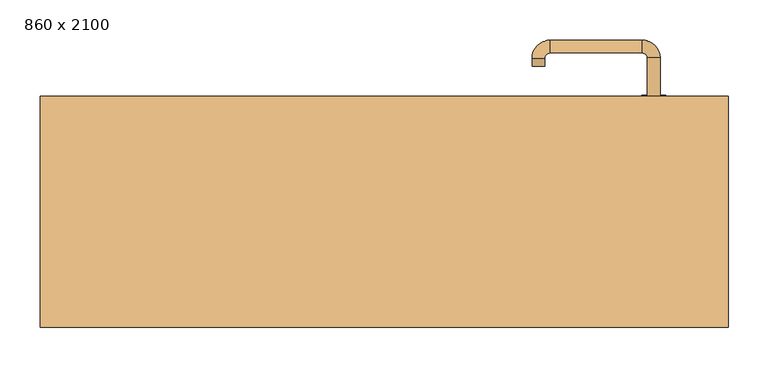
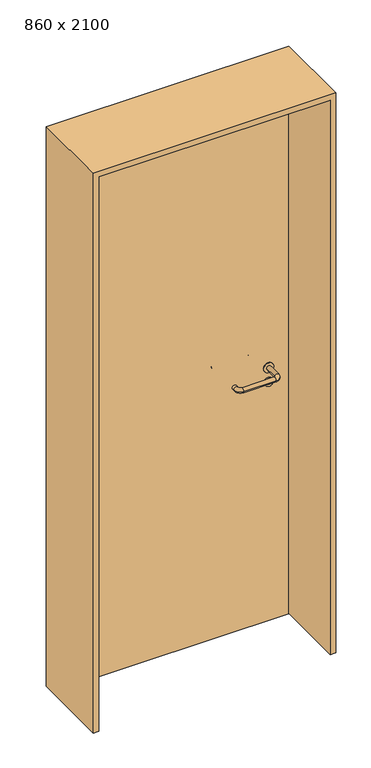
"""IFC4 building model written with IfcOpenShell, lengths in millimetres: door geometry, 860 x 2100."""

from ifc_helpers import new_model, si_unit, point, frame, frame_2d, origin, origin_with_axes, place, context, project, spatial, polyline, circle_curve, ellipse_curve, trimmed, segment, composite_curve, outline, extrude, source, transform, mapped, element, save
from ifc_brep_helpers import plane_surface, cylinder_surface, revolved_surface, advanced_brep


def door_860_x_2100_21cdc62c(model_context):
    return source(origin(), model_context, "Body", "SolidModel", [
        extrude(outline(composite_curve([segment(trimmed(circle_curve(frame_2d((897.3605726, 337.0)), 15.0), [point((897.3605726, 352.0))], [point((897.3605726, 322.0))], False, "CARTESIAN"), True, "CONTINUOUS"), segment(trimmed(circle_curve(frame_2d((897.3605726, 337.0)), 15.0), [point((897.3605726, 322.0))], [point((897.3605726, 352.0))], False, "CARTESIAN"), True, "CONTINUOUS")], self_intersect=False), holes=[composite_curve([segment(trimmed(circle_curve(frame_2d((892.5833211, 336.9398032)), 2.0), [point((892.5833211, 338.9398032))], [point((892.5833211, 334.9398032))], True, "CARTESIAN"), True, "CONTINUOUS"), segment(polyline([(892.5833211, 334.9398032), (902.5833211, 334.9398032)]), True, "CONTINUOUS"), segment(trimmed(circle_curve(frame_2d((902.5833211, 336.9398032)), 2.0), [point((902.5833211, 334.9398032))], [point((902.5833211, 338.9398032))], True, "CARTESIAN"), True, "CONTINUOUS"), segment(polyline([(902.5833211, 338.9398032), (892.5833211, 338.9398032)]), True, "CONTINUOUS")], self_intersect=False)]), frame((0.0, 103.65, 0.0), z_axis=(0.0, 1.0, 0.0), x_axis=(0.0, 0.0, 1.0)), (0.0, 0.0, 1.0), 6.35),
        extrude(outline(composite_curve([segment(trimmed(circle_curve(frame_2d((950.0, 337.0)), 17.526), [point((950.0, 354.526))], [point((950.0, 319.474))], False, "CARTESIAN"), True, "CONTINUOUS"), segment(trimmed(circle_curve(frame_2d((950.0, 337.0)), 17.526), [point((950.0, 319.474))], [point((950.0, 354.526))], False, "CARTESIAN"), True, "CONTINUOUS")], self_intersect=False)), frame((0.0, 106.825, 0.0), z_axis=(0.0, 1.0, 0.0), x_axis=(0.0, 0.0, 1.0)), (0.0, 0.0, 1.0), 3.175),
        advanced_brep(
        [(345.0, 110.0, 950.0), (329.0, 110.0, 950.0), (329.0, 57.0, 950.0), (345.0, 57.0, 950.0), (322.8578644, 50.8578644, 950.0), (322.8578644, 34.8578644, 950.0), (207.8578644, 50.8578644, 950.0), (207.8578644, 34.8578644, 950.0), (201.008622, 57.7071068, 950.0), (185.008622, 57.7071068, 950.0), (185.008622, 67.7071068, 950.0), (201.008622, 67.7071068, 950.0)],
        [
            (0, 1, circle_curve(frame((337.0, 110.0, 950.0), z_axis=(0.0, 1.0, 0.0), x_axis=(-1.0, 0.0, 0.0)), 8.0)),
            (1, 0, circle_curve(frame((337.0, 110.0, 950.0), z_axis=(0.0, 1.0, 0.0), x_axis=(-1.0, 0.0, 0.0)), 8.0)),
            (1, 2),
            (2, 3, circle_curve(frame((337.0, 57.0, 950.0), z_axis=(0.0, 1.0, 0.0), x_axis=(-1.0, 0.0, 0.0)), 8.0)),
            (3, 0),
            (3, 2, circle_curve(frame((337.0, 57.0, 950.0), z_axis=(0.0, 1.0, 0.0), x_axis=(-1.0, 0.0, 0.0)), 8.0)),
            (4, 5, circle_curve(frame((322.8578644, 42.8578644, 950.0), z_axis=(1.0, 0.0, 0.0), x_axis=(0.0, 1.0, 0.0)), 8.0)),
            (5, 3, circle_curve(frame((322.8578644, 57.0, 950.0), z_axis=(0.0, 0.0, 1.0), x_axis=(1.0, 0.0, 0.0)), 22.1421356)),
            (2, 4, circle_curve(frame((322.8578644, 57.0, 950.0), z_axis=(0.0, 0.0, -1.0), x_axis=(1.0, 0.0, 0.0)), 6.1421356)),
            (5, 4, circle_curve(frame((322.8578644, 42.8578644, 950.0), z_axis=(1.0, 0.0, 0.0), x_axis=(0.0, 1.0, 0.0)), 8.0)),
            (4, 6),
            (6, 7, circle_curve(frame((207.8578644, 42.8578644, 950.0), z_axis=(1.0, 0.0, 0.0), x_axis=(0.0, 1.0, 0.0)), 8.0)),
            (7, 5),
            (7, 6, circle_curve(frame((207.8578644, 42.8578644, 950.0), z_axis=(1.0, 0.0, 0.0), x_axis=(0.0, 1.0, 0.0)), 8.0)),
            (8, 9, circle_curve(frame((193.008622, 57.7071068, 950.0), z_axis=(0.0, -1.0, 0.0), x_axis=(1.0, 0.0, 0.0)), 8.0)),
            (9, 7, circle_curve(frame((207.8578644, 57.7071068, 950.0), z_axis=(0.0, 0.0, 1.0), x_axis=(0.0, -1.0, 0.0)), 22.8492424)),
            (6, 8, circle_curve(frame((207.8578644, 57.7071068, 950.0), z_axis=(0.0, 0.0, -1.0), x_axis=(0.0, -1.0, 0.0)), 6.8492424)),
            (9, 8, circle_curve(frame((193.008622, 57.7071068, 950.0), z_axis=(0.0, -1.0, 0.0), x_axis=(1.0, 0.0, 0.0)), 8.0)),
            (10, 11, circle_curve(frame((193.008622, 67.7071068, 950.0), z_axis=(0.0, 1.0, 0.0), x_axis=(1.0, 0.0, 0.0)), 8.0)),
            (11, 10, circle_curve(frame((193.008622, 67.7071068, 950.0), z_axis=(0.0, 1.0, 0.0), x_axis=(1.0, 0.0, 0.0)), 8.0)),
            (8, 11),
            (10, 9),
        ],
        [
            plane_surface(frame((337.0, 110.0, 0.0), z_axis=(0.0, 1.0, 0.0), x_axis=(0.0, 0.0, 1.0))),
            cylinder_surface(frame((337.0, 110.0, 950.0), z_axis=(0.0, 1.0, 0.0), x_axis=(-1.0, 0.0, 0.0)), 8.0),
            revolved_surface(trimmed(ellipse_curve(frame((337.0, 57.0, 950.0), z_axis=(0.0, -1.0, 0.0), x_axis=(-1.0, 0.0, 0.0)), 8.0, 8.0), [point((345.0, 57.0, 950.0))], [point((329.0, 57.0, 950.0))], True, "CARTESIAN"), (322.8578644, 57.0, 0.0), (0.0, 0.0, 1.0)),
            revolved_surface(trimmed(ellipse_curve(frame((337.0, 57.0, 950.0), z_axis=(0.0, -1.0, 0.0), x_axis=(-1.0, 0.0, 0.0)), 8.0, 8.0), [point((329.0, 57.0, 950.0))], [point((345.0, 57.0, 950.0))], True, "CARTESIAN"), (322.8578644, 57.0, 0.0), (0.0, 0.0, 1.0)),
            cylinder_surface(frame((322.8578644, 42.8578644, 950.0), z_axis=(1.0, 0.0, 0.0), x_axis=(0.0, 1.0, 0.0)), 8.0),
            revolved_surface(trimmed(ellipse_curve(frame((207.8578644, 42.8578644, 950.0), z_axis=(-1.0, 0.0, 0.0), x_axis=(0.0, 1.0, 0.0)), 8.0, 8.0), [point((207.8578644, 34.8578644, 950.0))], [point((207.8578644, 50.8578644, 950.0))], True, "CARTESIAN"), (207.8578644, 57.7071068, 0.0), (0.0, 0.0, 1.0)),
            revolved_surface(trimmed(ellipse_curve(frame((207.8578644, 42.8578644, 950.0), z_axis=(-1.0, 0.0, 0.0), x_axis=(0.0, 1.0, 0.0)), 8.0, 8.0), [point((207.8578644, 50.8578644, 950.0))], [point((207.8578644, 34.8578644, 950.0))], True, "CARTESIAN"), (207.8578644, 57.7071068, 0.0), (0.0, 0.0, 1.0)),
            plane_surface(frame((193.008622, 67.7071068, 0.0), z_axis=(0.0, 1.0, 0.0), x_axis=(0.0, 0.0, 1.0))),
            cylinder_surface(frame((193.008622, 57.7071068, 950.0), z_axis=(0.0, -1.0, 0.0), x_axis=(1.0, 0.0, 0.0)), 8.0),
        ],
        [
            (0, [[1, 2]]),
            (1, [[3, 4, 5, -2]]),
            (1, [[-5, 6, -3, -1]]),
            (2, [[7, 8, -4, 9]]),
            (3, [[10, -9, -6, -8]]),
            (4, [[11, 12, 13, -7]]),
            (4, [[-13, 14, -11, -10]]),
            (5, [[15, 16, -12, 17]]),
            (6, [[18, -17, -14, -16]]),
            (7, [[19, 20]]),
            (8, [[21, -19, 22, -15]]),
            (8, [[-22, -20, -21, -18]]),
        ],
    ),
        extrude(outline(composite_curve([segment(trimmed(circle_curve(frame_2d((0.0, -15.0)), 15.0), [point((0.0, -30.0))], [point((0.0, 0.0))], False, "CARTESIAN"), True, "CONTINUOUS"), segment(trimmed(circle_curve(frame_2d((0.0, -15.0)), 15.0), [point((0.0, 0.0))], [point((0.0, -30.0))], False, "CARTESIAN"), True, "CONTINUOUS")], self_intersect=False), holes=[composite_curve([segment(trimmed(circle_curve(frame_2d((4.7772515, -14.9398032)), 2.0), [point((4.7772515, -16.9398032))], [point((4.7772515, -12.9398032))], True, "CARTESIAN"), True, "CONTINUOUS"), segment(polyline([(4.7772515, -12.9398032), (-5.2227485, -12.9398032)]), True, "CONTINUOUS"), segment(trimmed(circle_curve(frame_2d((-5.2227485, -14.9398032)), 2.0), [point((-5.2227485, -12.9398032))], [point((-5.2227485, -16.9398032))], True, "CARTESIAN"), True, "CONTINUOUS"), segment(polyline([(-5.2227485, -16.9398032), (4.7772515, -16.9398032)]), True, "CONTINUOUS")], self_intersect=False)]), frame((322.0, 140.0, 897.3605726), z_axis=(1.8870575173328306e-12, 1.0, 0.0), x_axis=(0.0, 0.0, -1.0)), (0.0, 0.0, 1.0), 6.35),
        extrude(outline(composite_curve([segment(trimmed(circle_curve(frame_2d((0.0, -17.526)), 17.526), [point((0.0, -35.052))], [point((0.0, 0.0))], False, "CARTESIAN"), True, "CONTINUOUS"), segment(trimmed(circle_curve(frame_2d((0.0, -17.526)), 17.526), [point((0.0, 0.0))], [point((0.0, -35.052))], False, "CARTESIAN"), True, "CONTINUOUS")], self_intersect=False)), frame((319.474, 140.0, 950.0), z_axis=(1.8870575173328306e-12, 1.0, 0.0), x_axis=(0.0, 0.0, -1.0)), (0.0, 0.0, 1.0), 3.175),
        advanced_brep(
        [(345.0, 140.0, 950.0), (329.0, 140.0, 950.0), (345.0, 193.0, 950.0), (329.0, 193.0, 950.0), (322.8578644, 199.1421356, 950.0), (322.8578644, 215.1421356, 950.0), (207.8578644, 215.1421356, 950.0), (207.8578644, 199.1421356, 950.0), (201.008622, 192.2928932, 950.0), (185.008622, 192.2928932, 950.0), (185.008622, 182.2928932, 950.0), (201.008622, 182.2928932, 950.0)],
        [
            (0, 1, circle_curve(frame((337.0, 140.0, 950.0), z_axis=(-1.888672253512351e-12, -1.0, 0.0), x_axis=(-1.0, 1.888672253512351e-12, 0.0)), 8.0)),
            (1, 0, circle_curve(frame((337.0, 140.0, 950.0), z_axis=(-1.888672253512351e-12, -1.0, 0.0), x_axis=(-1.0, 1.888672253512351e-12, 0.0)), 8.0)),
            (0, 2),
            (2, 3, circle_curve(frame((337.0, 193.0, 950.0), z_axis=(-1.888672253512351e-12, -1.0, 0.0), x_axis=(-1.0, 1.888672253512351e-12, 0.0)), 8.0)),
            (3, 1),
            (3, 2, circle_curve(frame((337.0, 193.0, 950.0), z_axis=(-1.888672253512351e-12, -1.0, 0.0), x_axis=(-1.0, 1.888672253512351e-12, 0.0)), 8.0)),
            (4, 3, circle_curve(frame((322.8578644, 193.0, 950.0), z_axis=(0.0, 0.0, -1.0), x_axis=(1.0, -1.880717803715015e-12, 0.0)), 6.1421356)),
            (2, 5, circle_curve(frame((322.8578644, 193.0, 950.0), z_axis=(0.0, 0.0, 1.0), x_axis=(1.0, -1.880717803715015e-12, 0.0)), 22.1421356)),
            (5, 4, circle_curve(frame((322.8578644, 207.1421356, 950.0), z_axis=(1.0, -1.913702061528922e-12, 0.0), x_axis=(-1.913702061528922e-12, -1.0, 0.0)), 8.0)),
            (4, 5, circle_curve(frame((322.8578644, 207.1421356, 950.0), z_axis=(1.0, -1.913702061528922e-12, 0.0), x_axis=(-1.913702061528922e-12, -1.0, 0.0)), 8.0)),
            (5, 6),
            (6, 7, circle_curve(frame((207.8578644, 207.1421356, 950.0), z_axis=(1.0, -1.913719828541269e-12, 0.0), x_axis=(-1.913719828541269e-12, -1.0, 0.0)), 8.0)),
            (7, 4),
            (7, 6, circle_curve(frame((207.8578644, 207.1421356, 950.0), z_axis=(1.0, -1.913719828541269e-12, 0.0), x_axis=(-1.913719828541269e-12, -1.0, 0.0)), 8.0)),
            (8, 7, circle_curve(frame((207.8578644, 192.2928932, 950.0), z_axis=(0.0, 0.0, -1.0), x_axis=(1.9120873253494017e-12, 1.0, 0.0)), 6.8492424)),
            (6, 9, circle_curve(frame((207.8578644, 192.2928932, 950.0), z_axis=(0.0, 0.0, 1.0), x_axis=(1.9120873253494017e-12, 1.0, 0.0)), 22.8492424)),
            (9, 8, circle_curve(frame((193.008622, 192.2928932, 950.0), z_axis=(1.890448610351751e-12, 1.0, 0.0), x_axis=(1.0, -1.890448610351751e-12, 0.0)), 8.0)),
            (8, 9, circle_curve(frame((193.008622, 192.2928932, 950.0), z_axis=(1.8888942981172756e-12, 1.0, 0.0), x_axis=(1.0, -1.8888942981172756e-12, 0.0)), 8.0)),
            (10, 11, circle_curve(frame((193.008622, 182.2928932, 950.0), z_axis=(-1.8903642334018795e-12, -1.0, 0.0), x_axis=(1.0, -1.8903642334018795e-12, 0.0)), 8.0)),
            (11, 10, circle_curve(frame((193.008622, 182.2928932, 950.0), z_axis=(-1.8903642334018795e-12, -1.0, 0.0), x_axis=(1.0, -1.8903642334018795e-12, 0.0)), 8.0)),
            (9, 10),
            (11, 8),
        ],
        [
            plane_surface(frame((337.0, 140.0, 0.0), z_axis=(-1.8870575173328306e-12, -1.0, 0.0), x_axis=(0.0, 0.0, 1.0))),
            cylinder_surface(frame((337.0, 140.0, 950.0), z_axis=(-1.888672253512351e-12, -1.0, 0.0), x_axis=(-1.0, 1.888672253512351e-12, 0.0)), 8.0),
            revolved_surface(trimmed(ellipse_curve(frame((337.0, 193.0, 950.0), z_axis=(-1.8823325398945356e-12, -1.0, 0.0), x_axis=(-1.0, 1.8823325398945356e-12, 0.0)), 8.0, 8.0), [point((345.0, 193.0, 950.0))], [point((329.0, 193.0, 950.0))], True, "CARTESIAN"), (322.8578644, 193.0, 0.0), (0.0, 0.0, 1.0)),
            revolved_surface(trimmed(ellipse_curve(frame((337.0, 193.0, 950.0), z_axis=(-1.8823325398945356e-12, -1.0, 0.0), x_axis=(-1.0, 1.8823325398945356e-12, 0.0)), 8.0, 8.0), [point((329.0, 193.0, 950.0))], [point((345.0, 193.0, 950.0))], True, "CARTESIAN"), (322.8578644, 193.0, 0.0), (0.0, 0.0, 1.0)),
            cylinder_surface(frame((322.8578644, 207.1421356, 950.0), z_axis=(1.0, -1.913719828541269e-12, 0.0), x_axis=(-1.913719828541269e-12, -1.0, 0.0)), 8.0),
            revolved_surface(trimmed(ellipse_curve(frame((207.8578644, 207.1421356, 950.0), z_axis=(1.0, -1.913702061528922e-12, 0.0), x_axis=(-1.913702061528922e-12, -1.0, 0.0)), 8.0, 8.0), [point((207.8578644, 215.1421356, 950.0))], [point((207.8578644, 199.1421356, 950.0))], True, "CARTESIAN"), (207.8578644, 192.2928932, 0.0), (0.0, 0.0, 1.0)),
            revolved_surface(trimmed(ellipse_curve(frame((207.8578644, 207.1421356, 950.0), z_axis=(1.0, -1.913702061528922e-12, 0.0), x_axis=(-1.913702061528922e-12, -1.0, 0.0)), 8.0, 8.0), [point((207.8578644, 199.1421356, 950.0))], [point((207.8578644, 215.1421356, 950.0))], True, "CARTESIAN"), (207.8578644, 192.2928932, 0.0), (0.0, 0.0, 1.0)),
            plane_surface(frame((193.008622, 182.2928932, 0.0), z_axis=(-1.8887494972223595e-12, -1.0, 0.0), x_axis=(0.0, 0.0, 1.0))),
            cylinder_surface(frame((193.008622, 192.2928932, 950.0), z_axis=(1.8903642334018795e-12, 1.0, 0.0), x_axis=(1.0, -1.8903642334018795e-12, 0.0)), 8.0),
        ],
        [
            (0, [[1, 2]]),
            (1, [[-1, 3, 4, 5]]),
            (1, [[-2, -5, 6, -3]]),
            (2, [[7, -4, 8, 9]]),
            (3, [[-8, -6, -7, 10]]),
            (4, [[-9, 11, 12, 13]]),
            (4, [[-10, -13, 14, -11]]),
            (5, [[15, -12, 16, 17]]),
            (6, [[-16, -14, -15, 18]]),
            (7, [[19, 20]]),
            (8, [[-17, 21, -20, 22]]),
            (8, [[-18, -22, -19, -21]]),
        ],
    ),
        extrude(outline(polyline([(2080.0, 410.0), (0.0, 410.0), (0.0, 430.0), (2100.0, 430.0), (2100.0, -430.0), (0.0, -430.0), (0.0, -410.0), (2080.0, -410.0), (2080.0, 410.0)])), frame((0.0, -144.0, 0.0), z_axis=(0.0, 1.0, 0.0), x_axis=(0.0, 0.0, 1.0)), (0.0, 0.0, 1.0), 289.0),
        extrude(outline(polyline([(-410.0, 140.0), (410.0, 140.0), (410.0, 110.0), (-410.0, 110.0), (-410.0, 140.0)])), origin_with_axes(), (0.0, 0.0, 1.0), 2080.0),
    ])


if __name__ == "__main__":
    model = new_model("IFC4")
    model_context = context("Model", 3, world=origin())
    ifc_project = project(units=[si_unit("LENGTHUNIT", "METRE", prefix="MILLI")], contexts=[model_context])
    site = spatial("IfcSite", under=ifc_project)
    building = spatial("IfcBuilding", under=site)
    placement = place(None, origin())
    door_860_x_2100_shape = door_860_x_2100_21cdc62c(model_context)
    element("IfcDoor", 1, ObjectType="860 x 2100", at=placement, inside=building, context=model_context, shape_type="MappedRepresentation", body=[
        mapped(door_860_x_2100_shape, transform((0.0, 0.0, 0.0), x_axis=(1.0, 0.0, 0.0), y_axis=(0.0, 1.0, 0.0), z_axis=(0.0, 0.0, 1.0))),
    ])
    save(model, "model.ifc")
